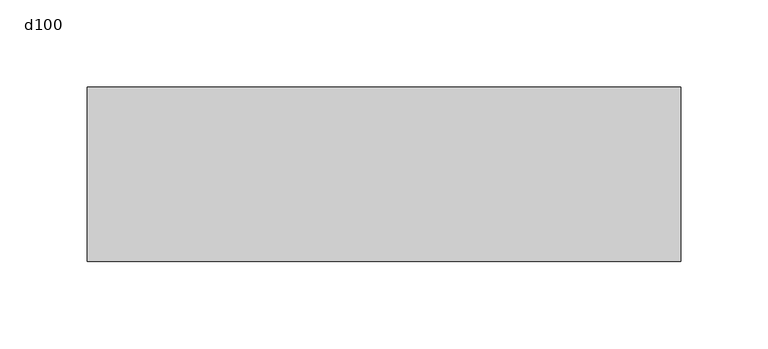
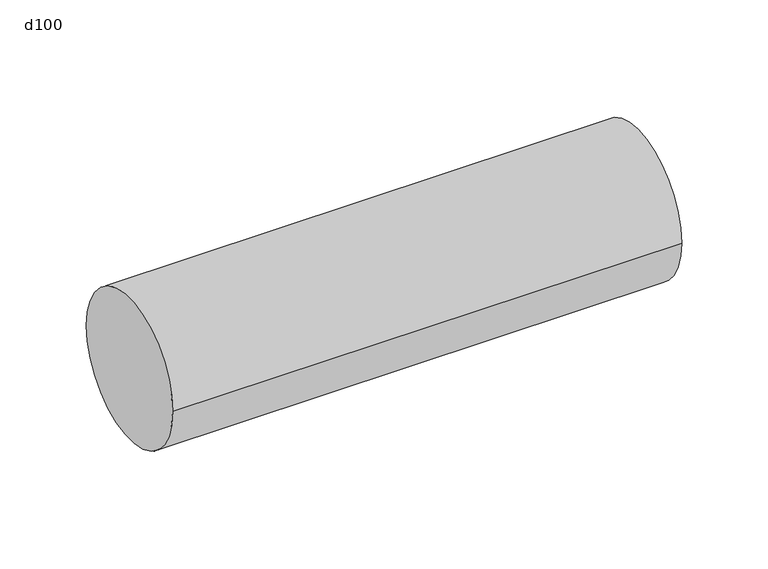
"""IFC4 building model written with IfcOpenShell, lengths in millimetres: beam geometry, d100."""

from ifc_helpers import new_model, si_unit, point, frame, origin, origin_2d, place, context, project, spatial, circle_curve, trimmed, segment, composite_curve, outline, extrude, source, transform, mapped, element, save


def d100_2c007765(model_context):
    return source(origin(), model_context, "Body", "SweptSolid", [
        extrude(outline(composite_curve([segment(trimmed(circle_curve(origin_2d(), 50.0), [point((-50.0, 0.0))], [point((50.0, 0.0))], False, "CARTESIAN"), True, "CONTINUOUS"), segment(trimmed(circle_curve(origin_2d(), 50.0), [point((50.0, 0.0))], [point((-50.0, 0.0))], False, "CARTESIAN"), True, "CONTINUOUS")], self_intersect=False)), frame((-170.0, 0.0, 0.0), z_axis=(1.0, 0.0, 0.0), x_axis=(0.0, 1.0, 0.0)), (0.0, 0.0, 1.0), 340.0),
    ])


if __name__ == "__main__":
    model = new_model("IFC4")
    model_context = context("Model", 3, world=origin())
    ifc_project = project(units=[si_unit("LENGTHUNIT", "METRE", prefix="MILLI")], contexts=[model_context])
    site = spatial("IfcSite", under=ifc_project)
    building = spatial("IfcBuilding", under=site)
    placement = place(None, origin())
    d100_shape = d100_2c007765(model_context)
    element("IfcBeam", 1, ObjectType="d100", at=placement, inside=building, context=model_context, shape_type="MappedRepresentation", body=[
        mapped(d100_shape, transform((0.0, 0.0, 0.0), x_axis=(1.0, 0.0, 0.0), y_axis=(0.0, 1.0, 0.0), z_axis=(0.0, 0.0, 1.0))),
    ])
    save(model, "model.ifc")
